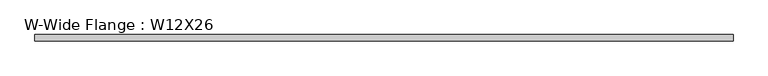
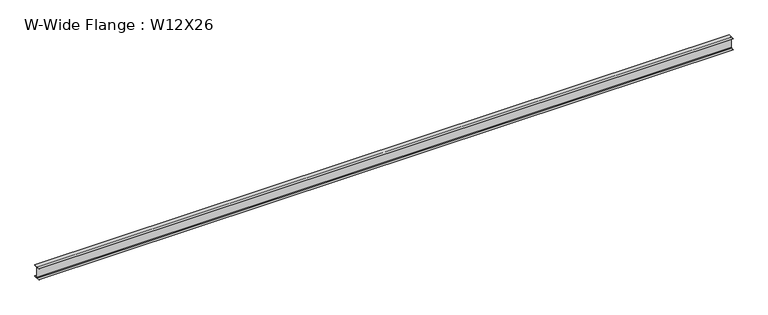
"""IFC4 building model written with IfcOpenShell, lengths in millimetres: beam geometry, W-Wide Flange : W12X26."""

import ifcopenshell
import ifcopenshell.guid

model = None  # the IFC model being written
_history = None  # IfcOwnerHistory: only IFC2X3 demands one
_inside = {}  # id of a spatial element -> (the spatial element, [elements in it])
_under = {}  # id of a project, library or spatial element -> (it, [spatial elements below it])
_declared = {}  # id of a project -> (the project, [libraries it declares])
_typed = {}  # id of a type object -> (the type object, [elements of that type])
_made_of = {}  # id of a material, layer set ... -> (it, [elements and type objects made of it])


def new_model(schema):
    """Start an empty IFC model of exactly this schema.

    Asked for "IFC4X3", IfcOpenShell would pick the latest addendum, in which some entities
    have other attributes; the version numbers below select the first issue.
    IFC2X3 requires an IfcOwnerHistory on every rooted entity: one is made here for all.
    """
    global model, _history
    if schema == "IFC4X3":
        model = ifcopenshell.file(schema_version=(4, 3, 0, 0))
    else:
        model = ifcopenshell.file(schema=schema)
    _inside.clear()
    _under.clear()
    _declared.clear()
    _typed.clear()
    _made_of.clear()
    _history = None
    if model.schema == "IFC2X3":
        org = make("IfcOrganization", Name="unknown")
        user = make(
            "IfcPersonAndOrganization",
            ThePerson=make("IfcPerson", FamilyName="unknown"),
            TheOrganization=org,
        )
        app = make(
            "IfcApplication",
            ApplicationDeveloper=org,
            Version="unknown",
            ApplicationFullName="unknown",
            ApplicationIdentifier="unknown",
        )
        _history = make(
            "IfcOwnerHistory",
            OwningUser=user,
            OwningApplication=app,
            ChangeAction="ADDED",
            CreationDate=0,
        )
    return model


def make(cls, **values):
    """One entity of the class cls with the attributes given. An attribute that is None is left unset."""
    return model.create_entity(
        cls, **{name: value for name, value in values.items() if value is not None}
    )


def rooted(cls, **values):
    """An entity with a GlobalId (a new one), such as an element, a storey or a relation."""
    return make(cls, GlobalId=ifcopenshell.guid.new(), OwnerHistory=_history, **values)


def si_unit(unit_type, name, prefix=None):
    """IfcSIUnit, for example si_unit("LENGTHUNIT", "METRE", prefix="MILLI")."""
    return make("IfcSIUnit", UnitType=unit_type, Prefix=prefix, Name=name)


def assignment(units):
    """IfcUnitAssignment: the units of a project."""
    return None if units is None else make("IfcUnitAssignment", Units=units)


def point(xyz):
    """IfcCartesianPoint."""
    return None if xyz is None else make("IfcCartesianPoint", Coordinates=xyz)


def direction(xyz):
    """IfcDirection."""
    return None if xyz is None else make("IfcDirection", DirectionRatios=xyz)


def frame(location, z_axis=None, x_axis=None):
    """IfcAxis2Placement3D, a coordinate frame: its origin and axes. An axis left out is left unset."""
    return make(
        "IfcAxis2Placement3D",
        Location=point(location),
        Axis=direction(z_axis),
        RefDirection=direction(x_axis),
    )


def frame_2d(location, x_axis=None):
    """IfcAxis2Placement2D, a coordinate frame in the plane: its origin and x axis."""
    return make(
        "IfcAxis2Placement2D", Location=point(location), RefDirection=direction(x_axis)
    )


def origin():
    """The frame at (0, 0, 0) with its axes left unset."""
    return frame((0.0, 0.0, 0.0))


def place(relative_to, where):
    """IfcLocalPlacement: puts the frame where relative to a parent placement (None: the world)."""
    return make(
        "IfcLocalPlacement", PlacementRelTo=relative_to, RelativePlacement=where
    )


def context(
    kind, dimensions, precision=None, world=None, true_north=None, identifier=None
):
    """IfcGeometricRepresentationContext, for example the 3D "Model" context."""
    return make(
        "IfcGeometricRepresentationContext",
        ContextIdentifier=identifier,
        ContextType=kind,
        CoordinateSpaceDimension=dimensions,
        Precision=precision,
        WorldCoordinateSystem=world,
        TrueNorth=true_north,
    )


def project(units=None, contexts=None):
    """IfcProject with its units and contexts."""
    return rooted(
        "IfcProject",
        Name="project",
        RepresentationContexts=contexts,
        UnitsInContext=assignment(units),
    )


def spatial(cls, under=None, at=None, **own):
    """A site, building, storey or space (cls), placed at a placement, below another one or the project."""
    s = rooted(cls, ObjectPlacement=at, **own)
    if under is not None:
        _under.setdefault(under.id(), (under, []))[1].append(s)
    return s


def polyline(points):
    """IfcPolyline through the points."""
    return make("IfcPolyline", Points=[point(p) for p in points])


def circle_curve(where, radius):
    """IfcCircle in the frame where."""
    return make("IfcCircle", Position=where, Radius=radius)


def trimmed(basis, trim1, trim2, sense, master):
    """IfcTrimmedCurve: the piece of a basis curve between two trims."""
    return make(
        "IfcTrimmedCurve",
        BasisCurve=basis,
        Trim1=trim1,
        Trim2=trim2,
        SenseAgreement=sense,
        MasterRepresentation=master,
    )


def segment(curve, same_sense, transition):
    """IfcCompositeCurveSegment."""
    return make(
        "IfcCompositeCurveSegment",
        Transition=transition,
        SameSense=same_sense,
        ParentCurve=curve,
    )


def composite_curve(segments, self_intersect=None):
    """IfcCompositeCurve: segments joined end to end."""
    return make("IfcCompositeCurve", Segments=segments, SelfIntersect=self_intersect)


def outline(outer, holes=None, kind="AREA"):
    """IfcArbitraryClosedProfileDef: a profile drawn as a closed curve; with holes, ...WithVoids."""
    if holes is None:
        return make("IfcArbitraryClosedProfileDef", ProfileType=kind, OuterCurve=outer)
    return make(
        "IfcArbitraryProfileDefWithVoids",
        ProfileType=kind,
        OuterCurve=outer,
        InnerCurves=holes,
    )


def extrude(swept, where, along, depth):
    """IfcExtrudedAreaSolid: the profile swept, set in the frame where, extruded along a direction by depth."""
    return make(
        "IfcExtrudedAreaSolid",
        SweptArea=swept,
        Position=where,
        ExtrudedDirection=direction(along),
        Depth=depth,
    )


def shape(context_of_items, identifier, shape_type, items):
    """IfcShapeRepresentation: the items that make up one representation, for example the "Body"."""
    return make(
        "IfcShapeRepresentation",
        ContextOfItems=context_of_items,
        RepresentationIdentifier=identifier,
        RepresentationType=shape_type,
        Items=items,
    )


def source(mapping_origin, context_of_items, identifier, shape_type, items):
    """IfcRepresentationMap: a shape defined once, which mapped items show again and again."""
    return make(
        "IfcRepresentationMap",
        MappingOrigin=mapping_origin,
        MappedRepresentation=shape(context_of_items, identifier, shape_type, items),
    )


def transform(
    local_origin,
    x_axis=None,
    y_axis=None,
    z_axis=None,
    scale=None,
    scale2=None,
    scale3=None,
    uniform=True,
):
    """IfcCartesianTransformationOperator3D, or its non-uniform kind. x_axis, y_axis, z_axis: its Axis1, 2, 3."""
    if uniform:
        return make(
            "IfcCartesianTransformationOperator3D",
            Axis1=direction(x_axis),
            Axis2=direction(y_axis),
            LocalOrigin=point(local_origin),
            Scale=scale,
            Axis3=direction(z_axis),
        )
    return make(
        "IfcCartesianTransformationOperator3DnonUniform",
        Axis1=direction(x_axis),
        Axis2=direction(y_axis),
        LocalOrigin=point(local_origin),
        Scale=scale,
        Axis3=direction(z_axis),
        Scale2=scale2,
        Scale3=scale3,
    )


def mapped(mapping_source, mapping_target):
    """IfcMappedItem: shows the shape of a source again, moved by a transform."""
    return make(
        "IfcMappedItem", MappingSource=mapping_source, MappingTarget=mapping_target
    )


def made_of(thing, what):
    """Note that an element or type object is made of a material, layer set ...; save() writes the relation."""
    if what is not None:
        _made_of.setdefault(what.id(), (what, []))[1].append(thing)
    return thing


def element(
    cls,
    number,
    at=None,
    inside=None,
    cuts=None,
    type_object=None,
    material=None,
    context=None,
    identifier="Body",
    shape_type=None,
    held_by="IfcProductDefinitionShape",
    body=None,
    shapes=None,
    **own,
):
    """One element of the class cls, such as IfcWall. Its Tag is "e" and its number.

    at: its placement. inside: the storey or other place that contains it. cuts: it is an
    opening in that element (IfcRelVoidsElement). A single representation is given by context,
    identifier, shape_type and body (its items); several are given by shapes. held_by: the class
    of the entity that holds the representations. save() writes the other relations.
    """
    e = rooted(cls, Tag="e%d" % number, ObjectPlacement=at, **own)
    if body is not None:
        shapes = [shape(context, identifier, shape_type, body)]
    if shapes is not None:
        e.Representation = make(held_by, Representations=shapes)
    if inside is not None:
        _inside.setdefault(inside.id(), (inside, []))[1].append(e)
    if cuts is not None:
        rooted(
            "IfcRelVoidsElement", RelatingBuildingElement=cuts, RelatedOpeningElement=e
        )
    if type_object is not None:
        _typed.setdefault(type_object.id(), (type_object, []))[1].append(e)
    return made_of(e, material)


def aggregate(whole, parts):
    """IfcRelAggregates: a whole, such as a stair, and the parts it consists of."""
    return rooted("IfcRelAggregates", RelatingObject=whole, RelatedObjects=parts)


def save(model, path):
    """Write the relations noted so far, then the file.

    IfcRelAggregates (storeys below a building ...), IfcRelContainedInSpatialStructure (elements
    in a storey), IfcRelDefinesByType, IfcRelAssociatesMaterial and IfcRelDeclares: one each for
    every whole, place, type object, material and project.
    """
    for whole, parts in _under.values():
        aggregate(whole, parts)
    for where, things in _inside.values():
        rooted(
            "IfcRelContainedInSpatialStructure",
            RelatedElements=things,
            RelatingStructure=where,
        )
    for kind, things in _typed.values():
        rooted("IfcRelDefinesByType", RelatedObjects=things, RelatingType=kind)
    for what, things in _made_of.values():
        rooted("IfcRelAssociatesMaterial", RelatedObjects=things, RelatingMaterial=what)
    for by, libraries in _declared.values():
        rooted("IfcRelDeclares", RelatingContext=by, RelatedDefinitions=libraries)
    model.write(path)


def w_wide_flange_w12x26_d29fccb6(model_context):
    return source(origin(), model_context, "Body", "SweptSolid", [
        extrude(outline(composite_curve([segment(polyline([(82.4011719, -145.5539063), (82.4011719, -155.178125), (-82.4011719, -155.178125), (-82.4011719, -145.5539063), (-20.2902344, -145.5539063)]), True, "CONTINUOUS"), segment(trimmed(circle_curve(frame_2d((-20.2902344, -128.190625)), 17.3632812), [point((-20.2902344, -145.5539063))], [point((-2.9269531, -128.190625))], True, "CARTESIAN"), True, "CONTINUOUS"), segment(polyline([(-2.9269531, -128.190625), (-2.9269531, 128.190625)]), True, "CONTINUOUS"), segment(trimmed(circle_curve(frame_2d((-20.2902344, 128.190625)), 17.3632812), [point((-2.9269531, 128.190625))], [point((-20.2902344, 145.5539062))], True, "CARTESIAN"), True, "CONTINUOUS"), segment(polyline([(-20.2902344, 145.5539062), (-82.4011719, 145.5539062), (-82.4011719, 155.178125), (82.4011719, 155.178125), (82.4011719, 145.5539062), (20.2902344, 145.5539062)]), True, "CONTINUOUS"), segment(trimmed(circle_curve(frame_2d((20.2902344, 128.190625)), 17.3632812), [point((20.2902344, 145.5539062))], [point((2.9269531, 128.190625))], True, "CARTESIAN"), True, "CONTINUOUS"), segment(polyline([(2.9269531, 128.190625), (2.9269531, -128.190625)]), True, "CONTINUOUS"), segment(trimmed(circle_curve(frame_2d((20.2902344, -128.190625)), 17.3632812), [point((2.9269531, -128.190625))], [point((20.2902344, -145.5539063))], True, "CARTESIAN"), True, "CONTINUOUS"), segment(polyline([(20.2902344, -145.5539063), (82.4011719, -145.5539063)]), True, "CONTINUOUS")], self_intersect=False)), frame((-9000.0, 0.0, 0.0), z_axis=(1.0, 0.0, 0.0), x_axis=(0.0, 1.0, 0.0)), (0.0, 0.0, 1.0), 18000.0),
    ])


if __name__ == "__main__":
    model = new_model("IFC4")
    model_context = context("Model", 3, world=origin())
    ifc_project = project(units=[si_unit("LENGTHUNIT", "METRE", prefix="MILLI")], contexts=[model_context])
    site = spatial("IfcSite", under=ifc_project)
    building = spatial("IfcBuilding", under=site)
    placement = place(None, origin())
    w_wide_flange_w12x26_shape = w_wide_flange_w12x26_d29fccb6(model_context)
    element("IfcBeam", 1, ObjectType="W-Wide Flange : W12X26", at=placement, inside=building, context=model_context, shape_type="MappedRepresentation", body=[
        mapped(w_wide_flange_w12x26_shape, transform((0.0, 0.0, 0.0), x_axis=(1.0, 0.0, 0.0), y_axis=(0.0, 1.0, 0.0), z_axis=(0.0, 0.0, 1.0))),
    ])
    save(model, "model.ifc")
